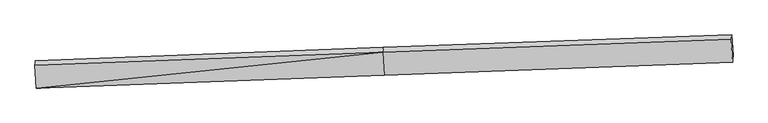
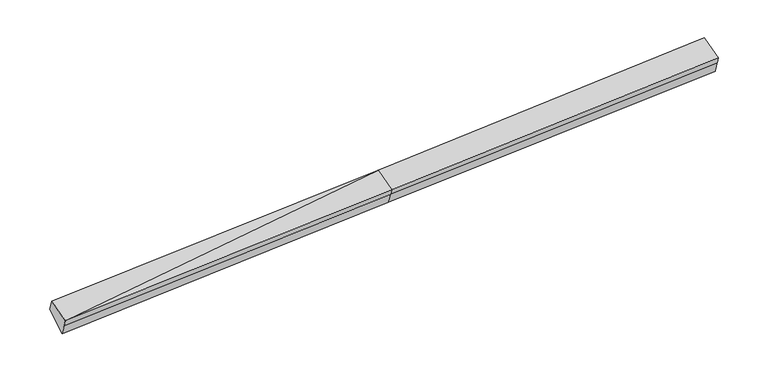
"""IFC4 building model written with IfcOpenShell, lengths in millimetres: proxy geometry."""

from ifc_helpers import new_model, si_unit, frame, origin, place, context, project, spatial, source, transform, mapped, element, save
from ifc_brep_helpers import plane_surface, spline_surface, advanced_brep


def generic_models_a2909e09(model_context):
    return source(origin(), model_context, "Body", "AdvancedBrep", [
        advanced_brep(
        [(-10006.6223863, -2334.086686, 1615.4890192), (-10000.7811306, -2263.3633382, 1418.3348972), (3.0611244, -1895.1982072, 1852.1100277), (-2.6407464, -1964.2339432, 2044.5596265), (-10040.2216108, -1675.641023, 1850.6919125), (-35.9999764, -1310.4914635, 2278.0824992), (-10030.233425, -1554.708475, 1513.5705645), (-27.2117629, -1166.042999, 1949.3612545), (-9990.843984, -2143.0487497, 1082.936223), (12.1776781, -1754.3832737, 1518.726913), (9987.3249994, -807.0131885, 2374.8621731), (9976.0205148, -928.6650409, 2743.5707015), (10010.0997282, -1596.5170705, 2505.0077668), (10016.2197539, -1522.4184991, 2298.4445984), (10026.7144404, -1395.3534633, 1944.2278316)],
        [
            (0, 1),
            (1, 2),
            (2, 3),
            (3, 0),
            (4, 0),
            (0, 5),
            (5, 4),
            (6, 4),
            (5, 7),
            (7, 6),
            (8, 6),
            (7, 9),
            (9, 8),
            (1, 8),
            (9, 2),
            (10, 11),
            (11, 12),
            (12, 13),
            (13, 14),
            (14, 10),
            (3, 5),
            (5, 11),
            (10, 7),
            (3, 12),
            (2, 13),
            (9, 14),
        ],
        [
            plane_surface(frame((-10003.7017584, -2298.7250121, 1516.9119582), z_axis=(0.049183307195773115, -0.9405935360159656, -0.3359535716408873), x_axis=(0.027876995338555637, 0.33752236471016006, -0.9409046319640243))),
            plane_surface(frame((-10023.4219985, -2004.8638545, 1733.0904659), z_axis=(-0.027876995338555286, -0.3375223647101559, 0.9409046319640257), x_axis=(0.04799889211109548, -0.9406366613906543, -0.33600413331379))),
            spline_surface(1, 1, [[(-10030.233425, -1554.708475, 1513.5705645), (-27.2117629, -1166.042999, 1949.3612545)], [(-10040.2216108, -1675.641023, 1850.6919125), (-35.9999764, -1310.4914635, 2278.0824992)]], [2, 2], [2, 2], [0.0, 1.0], [0.0, 1.0]),
            plane_surface(frame((-10010.5387045, -1848.8786123, 1298.2533937), z_axis=(0.012167485831569323, 0.5911229341004607, -0.8064896955752139), x_axis=(-0.053945903857176965, 0.8057628407330315, 0.5897762999230026))),
            spline_surface(1, 1, [[(-10000.7811306, -2263.3633382, 1418.3348972), (3.0611244, -1895.1982072, 1852.1100277)], [(-9990.843984, -2143.0487497, 1082.936223), (12.1776781, -1754.3832737, 1518.726913)]], [2, 2], [2, 2], [0.0, 1.0], [0.0, 1.0]),
            plane_surface(frame((10000.0399207, -1181.8871908, 2391.9171183), z_axis=(0.9984583013261004, 0.0357955942583483, 0.042422823393665925), x_axis=(-0.029103490764689786, -0.31319371952197955, 0.9492432148176237))),
            plane_surface(frame((-10016.9803515, -1926.8712334, 1515.6719298), z_axis=(-0.9984583013261004, -0.03579559425834762, -0.04242282339366557), x_axis=(-0.02787699533855455, -0.33752236471015984, 0.9409046319640244))),
            plane_surface(frame((-10006.6223863, -2334.086686, 1615.4890192), z_axis=(-0.027876995338555203, -0.3375223647101567, 0.9409046319640256), x_axis=(0.04799889211109564, -0.940636661390654, -0.3360041333137907))),
            spline_surface(1, 1, [[(-27.2117629, -1166.042999, 1949.3612545), (9987.3249994, -807.0131885, 2374.8621731)], [(-35.9999764, -1310.4914635, 2278.0824992), (9976.0205148, -928.6650409, 2743.5707015)]], [2, 2], [2, 2], [0.0, 1.0], [0.0, 1.0]),
            plane_surface(frame((-19.3203614, -1637.3627033, 2161.3210629), z_axis=(-0.030863272940716828, -0.33762792004900954, 0.9407735359728007), x_axis=(0.04799889211109635, -0.9406366613906529, -0.33600413331379353))),
            plane_surface(frame((0.210189, -1929.7160752, 1948.3348271), z_axis=(0.04998973650024635, -0.9405634144445112, -0.33591887361849565), x_axis=(0.02787699533855583, 0.33752236471015956, -0.9409046319640244))),
            spline_surface(1, 1, [[(3.0611244, -1895.1982072, 1852.1100277), (10016.2197539, -1522.4184991, 2298.4445984)], [(12.1776781, -1754.3832737, 1518.726913), (10026.7144404, -1395.3534633, 1944.2278316)]], [2, 2], [2, 2], [0.0, 1.0], [0.0, 1.0]),
            plane_surface(frame((-7.5170424, -1460.2131363, 1734.0440838), z_axis=(0.013071341554364329, 0.5911555801356574, -0.8064516229163681), x_axis=(-0.05394590385717424, 0.8057628407330326, 0.5897762999230015))),
        ],
        [
            (0, [[1, 2, 3, 4]]),
            (1, [[5, 6, 7]]),
            (2, [[8, -7, 9, 10]]),
            (3, [[11, -10, 12, 13]]),
            (4, [[14, -13, 15, -2]]),
            (5, [[16, 17, 18, 19, 20]]),
            (6, [[-1, -5, -8, -11, -14]]),
            (7, [[21, -6, -4]]),
            (8, [[-9, 22, -16, 23]]),
            (9, [[-21, 24, -17, -22]]),
            (10, [[-3, 25, -18, -24]]),
            (11, [[-15, 26, -19, -25]]),
            (12, [[-12, -23, -20, -26]]),
        ],
    ),
    ])


if __name__ == "__main__":
    model = new_model("IFC4")
    model_context = context("Model", 3, world=origin())
    ifc_project = project(units=[si_unit("LENGTHUNIT", "METRE", prefix="MILLI")], contexts=[model_context])
    site = spatial("IfcSite", under=ifc_project)
    building = spatial("IfcBuilding", under=site)
    placement = place(None, origin())
    generic_models_shape = generic_models_a2909e09(model_context)
    element("IfcBuildingElementProxy", 1, Name="Generic Models", at=placement, inside=building, context=model_context, shape_type="MappedRepresentation", body=[
        mapped(generic_models_shape, transform((0.0, 0.0, 0.0), x_axis=(1.0, 0.0, 0.0), y_axis=(0.0, 1.0, 0.0), z_axis=(0.0, 0.0, 1.0))),
    ])
    save(model, "model.ifc")
